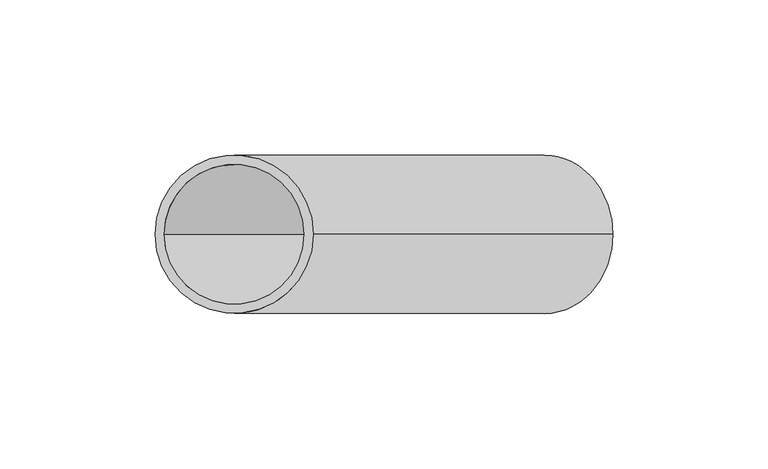
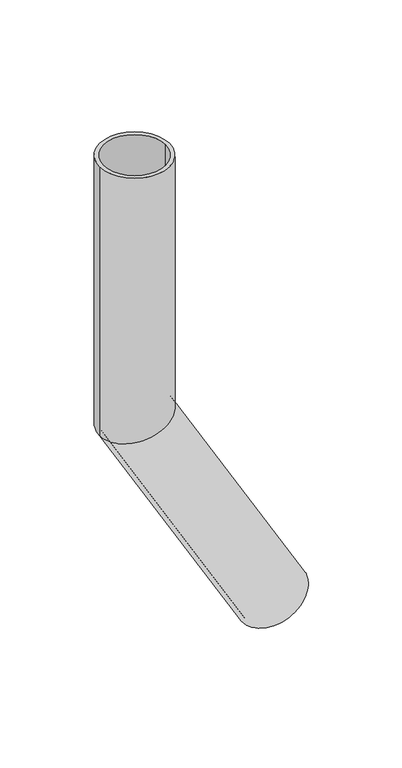
"""IFC4 building model written with IfcOpenShell, lengths in millimetres: beam geometry."""

from ifc_helpers import new_model, si_unit, frame, origin, place, context, project, spatial, polyline, circle_curve, ellipse_curve, source, transform, mapped, element, save
from ifc_brep_helpers import plane_surface, cylinder_surface, revolved_surface, advanced_brep


def beam_9328d04f(model_context):
    return source(origin(), model_context, "Body", "AdvancedBrep", [
        advanced_brep(
        [(122.0836478, 0.0, -360.4550808), (77.9163522, 0.0, -385.9550808), (119.4855716, 0.0, -361.9550808), (80.5144284, 0.0, -384.4550808), (25.5, 0.0, 0.0), (-25.5, 0.0, 0.0), (22.5, 0.0, 0.0), (-22.5, 0.0, 0.0), (22.5, 0.0, -193.9711432), (0.0, -22.5, -200.0), (-22.5, 0.0, -206.0288568), (0.0, 22.5, -200.0), (25.5, 0.0, -193.1672956), (-25.5, 0.0, -206.8327044)],
        [
            (0, 1, circle_curve(frame((100.0, 0.0, -373.2050808), z_axis=(0.5000000000000633, 0.0, -0.8660254037844022), x_axis=(-0.8660254037844022, 0.0, -0.5000000000000633)), 25.5)),
            (1, 0, circle_curve(frame((100.0, 0.0, -373.2050808), z_axis=(0.5000000000000633, 0.0, -0.8660254037844022), x_axis=(-0.8660254037844022, 0.0, -0.5000000000000633)), 25.5)),
            (2, 3, circle_curve(frame((100.0, 0.0, -373.2050808), z_axis=(-0.5000000000000633, 0.0, 0.8660254037844022), x_axis=(-0.8660254037844022, 0.0, -0.5000000000000633)), 22.5)),
            (3, 2, circle_curve(frame((100.0, 0.0, -373.2050808), z_axis=(-0.5000000000000633, 0.0, 0.8660254037844022), x_axis=(-0.8660254037844022, 0.0, -0.5000000000000633)), 22.5)),
            (4, 5, circle_curve(frame((0.0, 0.0, 0.0), z_axis=(0.0, 0.0, 1.0), x_axis=(-1.0, 0.0, 0.0)), 25.5)),
            (5, 4, circle_curve(frame((0.0, 0.0, 0.0), z_axis=(0.0, 0.0, 1.0), x_axis=(-1.0, 0.0, 0.0)), 25.5)),
            (6, 7, circle_curve(frame((0.0, 0.0, 0.0), z_axis=(0.0, 0.0, -1.0), x_axis=(-1.0, 0.0, 0.0)), 22.5)),
            (7, 6, circle_curve(frame((0.0, 0.0, 0.0), z_axis=(0.0, 0.0, -1.0), x_axis=(-1.0, 0.0, 0.0)), 22.5)),
            (6, 8),
            (8, 9, ellipse_curve(frame((0.0, 0.0, -200.0), z_axis=(0.25881904510255604, 0.0, -0.9659258262890589), x_axis=(0.9659258262890589, 0.0, 0.25881904510255593)), 23.2937141, 22.5)),
            (9, 10, ellipse_curve(frame((0.0, 0.0, -200.0), z_axis=(0.25881904510255604, 0.0, -0.9659258262890589), x_axis=(0.9659258262890589, 0.0, 0.25881904510255593)), 23.2937141, 22.5)),
            (10, 7),
            (10, 11, ellipse_curve(frame((0.0, 0.0, -200.0), z_axis=(0.25881904510255604, 0.0, -0.9659258262890589), x_axis=(0.9659258262890589, 0.0, 0.25881904510255593)), 23.2937141, 22.5)),
            (11, 8, ellipse_curve(frame((0.0, 0.0, -200.0), z_axis=(0.25881904510255604, 0.0, -0.9659258262890589), x_axis=(0.9659258262890589, 0.0, 0.25881904510255593)), 23.2937141, 22.5)),
            (4, 12),
            (12, 13, ellipse_curve(frame((0.0, 0.0, -200.0), z_axis=(-0.25881904510255604, 0.0, 0.9659258262890589), x_axis=(-0.9659258262890589, 0.0, -0.25881904510255593)), 26.3995426, 25.5)),
            (13, 5),
            (13, 12, ellipse_curve(frame((0.0, 0.0, -200.0), z_axis=(-0.25881904510255604, 0.0, 0.9659258262890589), x_axis=(-0.9659258262890589, 0.0, -0.25881904510255593)), 26.3995426, 25.5)),
            (2, 8),
            (10, 3),
            (0, 12),
            (13, 1),
        ],
        [
            plane_surface(frame((100.0, 0.0, -373.2050808), z_axis=(0.5000000000000633, 0.0, -0.8660254037844022), x_axis=(0.0, -1.0, 0.0))),
            plane_surface(frame((0.0, 0.0, 0.0), z_axis=(0.0, 0.0, 1.0), x_axis=(0.0, -1.0, 0.0))),
            revolved_surface(polyline([(-22.5, 0.0, 0.0), (-22.5, 0.0, -206.02885684025395)]), (0.0, 0.0, -200.0), (0.0, 0.0, 1.0)),
            cylinder_surface(frame((0.0, 0.0, -200.0), z_axis=(0.0, 0.0, -1.0), x_axis=(-1.0, 0.0, 0.0)), 25.5),
            revolved_surface(polyline([(-22.500000031541802, 0.0, -206.0288568182106), (80.51442841856431, 0.0, -384.45508080643316)]), (100.0, 0.0, -373.2050808), (-0.5000000000000633, 0.0, 0.8660254037844022)),
            cylinder_surface(frame((100.0, 0.0, -373.2050808), z_axis=(0.5000000000000633, 0.0, -0.8660254037844022), x_axis=(-0.8660254037844022, 0.0, -0.5000000000000633)), 25.5),
        ],
        [
            (0, [[1, 2], [3, 4]]),
            (1, [[5, 6], [7, 8]]),
            (2, [[-7, 9, 10, 11, 12]]),
            (2, [[-8, -12, 13, 14, -9]]),
            (3, [[-5, 15, 16, 17]]),
            (3, [[-6, -17, 18, -15]]),
            (4, [[-3, 19, -14, -13, 20]]),
            (4, [[-4, -20, -11, -10, -19]]),
            (5, [[-1, 21, -18, 22]]),
            (5, [[-2, -22, -16, -21]]),
        ],
    ),
    ])


if __name__ == "__main__":
    model = new_model("IFC4")
    model_context = context("Model", 3, world=origin())
    ifc_project = project(units=[si_unit("LENGTHUNIT", "METRE", prefix="MILLI")], contexts=[model_context])
    site = spatial("IfcSite", under=ifc_project)
    building = spatial("IfcBuilding", under=site)
    placement = place(None, origin())
    beam_shape = beam_9328d04f(model_context)
    element("IfcBeam", 1, at=placement, inside=building, context=model_context, shape_type="MappedRepresentation", body=[
        mapped(beam_shape, transform((0.0, 0.0, 0.0), x_axis=(1.0, 0.0, 0.0), y_axis=(0.0, 1.0, 0.0), z_axis=(0.0, 0.0, 1.0))),
    ])
    save(model, "model.ifc")
